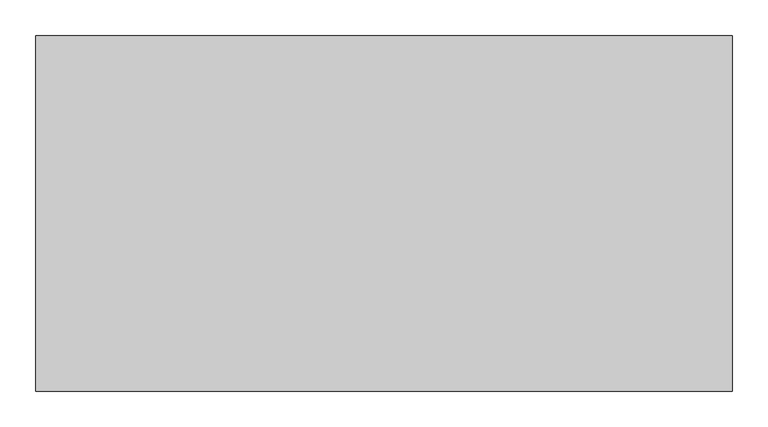
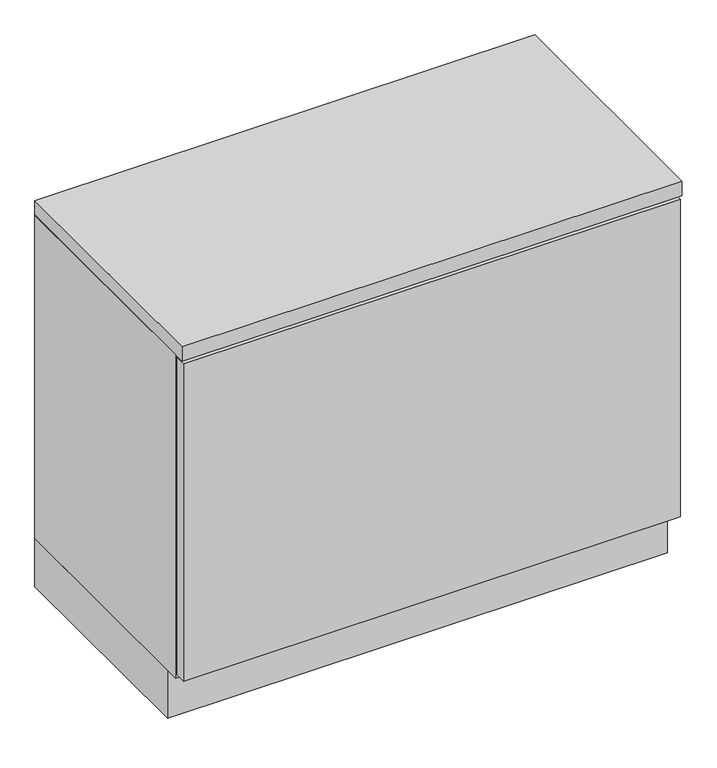
"""IFC4 building model written with IfcOpenShell, lengths in millimetres: furniture geometry."""

from ifc_helpers import new_model, si_unit, frame, origin, origin_with_axes, place, context, project, spatial, polyline, outline, extrude, source, transform, mapped, element, save


def furniture_03039f2a(model_context):
    return source(origin(), model_context, "Body", "SweptSolid", [
        extrude(outline(polyline([(487.0, -178.0), (487.0, -200.0), (-487.0, -200.0), (-487.0, -178.0), (487.0, -178.0)])), frame((0.0, 0.0, 106.0), z_axis=(0.0, 0.0, 1.0), x_axis=(1.0, 0.0, 0.0)), (0.0, 0.0, 1.0), 658.0),
        extrude(outline(polyline([(470.0, 300.0), (470.0, 290.0), (-470.0, 290.0), (-470.0, 300.0), (470.0, 300.0)])), frame((0.0, 0.0, 100.0), z_axis=(0.0, 0.0, 1.0), x_axis=(1.0, 0.0, 0.0)), (0.0, 0.0, 1.0), 670.0),
        extrude(outline(polyline([(470.0, 290.0), (470.0, -178.0), (-470.0, -178.0), (-470.0, 290.0), (470.0, 290.0)])), frame((0.0, 0.0, 100.0), z_axis=(0.0, 0.0, 1.0), x_axis=(1.0, 0.0, 0.0)), (0.0, 0.0, 1.0), 20.0),
        extrude(outline(polyline([(-470.0, 300.0), (-470.0, -178.0), (-490.0, -178.0), (-490.0, 300.0), (-470.0, 300.0)])), frame((0.0, 0.0, 100.0), z_axis=(0.0, 0.0, 1.0), x_axis=(1.0, 0.0, 0.0)), (0.0, 0.0, 1.0), 670.0),
        extrude(outline(polyline([(490.0, 300.0), (490.0, -178.0), (470.0, -178.0), (470.0, 300.0), (490.0, 300.0)])), frame((0.0, 0.0, 100.0), z_axis=(0.0, 0.0, 1.0), x_axis=(1.0, 0.0, 0.0)), (0.0, 0.0, 1.0), 670.0),
        extrude(outline(polyline([(490.0, 300.0), (490.0, -200.0), (-490.0, -200.0), (-490.0, 300.0), (490.0, 300.0)])), frame((0.0, 0.0, 770.0), z_axis=(0.0, 0.0, 1.0), x_axis=(1.0, 0.0, 0.0)), (0.0, 0.0, 1.0), 30.0),
        extrude(outline(polyline([(490.0, 300.0), (490.0, -150.0), (-490.0, -150.0), (-490.0, 300.0), (490.0, 300.0)])), origin_with_axes(), (0.0, 0.0, 1.0), 100.0),
    ])


if __name__ == "__main__":
    model = new_model("IFC4")
    model_context = context("Model", 3, world=origin())
    ifc_project = project(units=[si_unit("LENGTHUNIT", "METRE", prefix="MILLI")], contexts=[model_context])
    site = spatial("IfcSite", under=ifc_project)
    building = spatial("IfcBuilding", under=site)
    placement = place(None, origin())
    furniture_shape = furniture_03039f2a(model_context)
    element("IfcFurniture", 1, at=placement, inside=building, context=model_context, shape_type="MappedRepresentation", body=[
        mapped(furniture_shape, transform((0.0, 0.0, 0.0), x_axis=(1.0, 0.0, 0.0), y_axis=(0.0, 1.0, 0.0), z_axis=(0.0, 0.0, 1.0))),
    ])
    save(model, "model.ifc")
